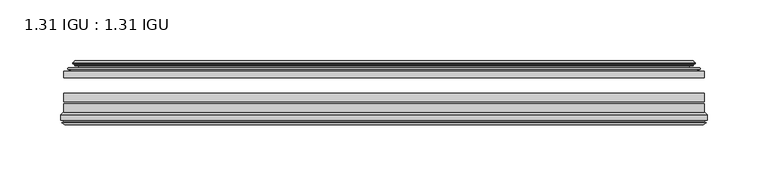
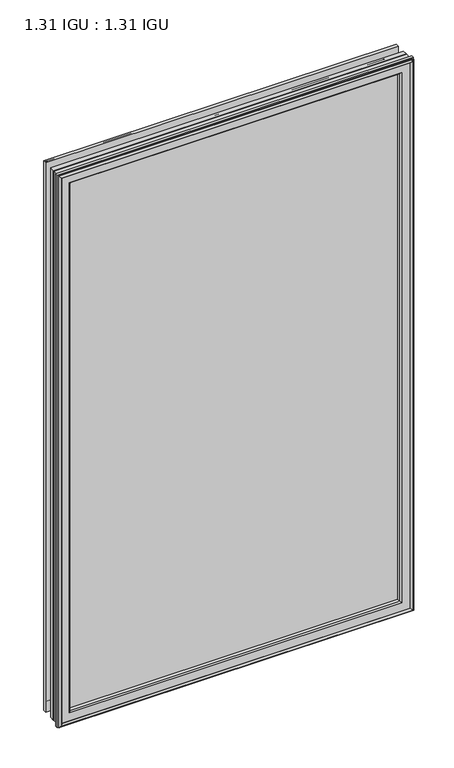
"""IFC4 building model written with IfcOpenShell, lengths in millimetres: plate geometry, 1.31 IGU : 1.31 IGU."""

from ifc_helpers import new_model, si_unit, frame, origin, place, context, project, spatial, polyline, ellipse_curve, outline, extrude, source, transform, mapped, element, save
from ifc_brep_helpers import plane_surface, cylinder_surface, revolved_surface, advanced_brep


def plate_1_31_igu_1_31_igu_d20a0cf0(model_context):
    return source(origin(), model_context, "Body", "SolidModel", [
        extrude(outline(polyline([(263.5203362, -44.8960875), (263.5203362, -50.4332875), (-263.5252713, -50.4332875), (-263.5252713, -44.8960875), (263.5203362, -44.8960875)])), frame((0.0, 0.0, -14.2875), z_axis=(0.0, 0.0, 1.0), x_axis=(1.0, 0.0, 0.0)), (0.0, 0.0, 1.0), 868.3488413),
        extrude(outline(polyline([(-263.5252713, -78.7796875), (-263.5252713, -71.7692875), (263.5203362, -71.7692875), (263.5203362, -78.7796875), (-263.5252713, -78.7796875)])), frame((0.0, 0.0, -14.2875), z_axis=(0.0, 0.0, 1.0), x_axis=(1.0, 0.0, 0.0)), (0.0, 0.0, 1.0), 868.3488413),
        extrude(outline(polyline([(-263.5252713, -70.2452875), (-263.5252713, -63.1332875), (263.5203362, -63.1332875), (263.5203362, -70.2452875), (-263.5252713, -70.2452875)])), frame((0.0, 0.0, -14.2875), z_axis=(0.0, 0.0, 1.0), x_axis=(1.0, 0.0, 0.0)), (0.0, 0.0, 1.0), 868.3488413),
        advanced_brep(
        [(-254.1799468, -37.7373382, 844.7160167), (-249.2383138, -36.3108875, 839.7743838), (-249.2383138, -36.3108875, -0.0005426), (-254.1799468, -37.7373382, -4.9421755), (-254.0148415, -36.9605789, 844.5509115), (-254.0148415, -36.9605789, -4.7770702), (-254.6103272, -36.4771203, 845.1463972), (-254.6103272, -36.4771203, -5.3725559), (-255.874963, -37.766076, 846.411033), (-255.874963, -37.766076, -6.6371917), (-255.8641462, -38.8797852, 846.4002162), (-255.8641462, -38.8797852, -6.6263749), (-254.582661, -40.1361433, 845.118731), (-254.582661, -40.1361433, -5.3448897), (-253.9776542, -39.649943, 844.5137242), (-253.9776542, -39.649943, -4.7398829), (-254.5316684, -39.0959287, 845.0677384), (-254.5316684, -39.0959287, -5.2938972), (-252.24586, -38.7029881, 842.78193), (-252.24586, -38.7029881, -3.0080887), (-250.7867869, -40.2107282, 841.3228569), (-250.7867869, -40.2107282, -1.5490157), (-251.0833689, -41.651269, 841.6194389), (-251.0833689, -41.651269, -1.8455976), (-251.8545933, -42.2798875, 842.3906633), (-251.8545933, -42.2798875, -2.6168221), (-260.1585697, -43.4871542, 850.6946396), (-259.8833682, -42.2798875, 850.4194382), (-259.8833682, -42.2798875, -10.6455969), (-260.1585697, -43.4871542, -10.9207984), (-256.701001, -44.8960875, 847.237071), (-256.701001, -44.8960875, -7.4632297), (-245.6033772, -44.023302, 836.1394472), (-245.9587152, -44.8960875, 836.4947851), (-245.9587152, -44.8960875, 3.2790561), (-245.6033772, -44.023302, 3.6343941), (-246.2745752, -43.3681812, 836.8106452), (-246.2745752, -43.3681812, 2.963196), (-247.9153658, -40.6686056, 838.4514358), (-247.9153658, -40.6686056, 1.3224054), (249.2383138, -36.3108875, -0.0005426), (254.1799468, -37.7373382, -4.9421755), (254.0148415, -36.9605789, -4.7770702), (254.6103272, -36.4771203, -5.3725559), (255.874963, -37.766076, -6.6371917), (255.8641462, -38.8797852, -6.6263749), (254.582661, -40.1361433, -5.3448897), (253.9776542, -39.649943, -4.7398829), (254.5316684, -39.0959287, -5.2938972), (252.24586, -38.7029881, -3.0080887), (250.7867869, -40.2107282, -1.5490157), (251.0833689, -41.651269, -1.8455976), (251.8545933, -42.2798875, -2.6168221), (259.8833682, -42.2798875, -10.6455969), (260.1585697, -43.4871542, -10.9207984), (256.701001, -44.8960875, -7.4632297), (245.9587152, -44.8960875, 3.2790561), (245.6033772, -44.023302, 3.6343941), (246.2745752, -43.3681812, 2.963196), (247.9153658, -40.6686056, 1.3224054), (249.2383138, -36.3108875, 839.7743838), (254.1799468, -37.7373382, 844.7160167), (254.0148415, -36.9605789, 844.5509115), (254.6103272, -36.4771203, 845.1463972), (255.874963, -37.766076, 846.411033), (255.8641462, -38.8797852, 846.4002162), (254.582661, -40.1361433, 845.118731), (253.9776542, -39.649943, 844.5137242), (254.5316684, -39.0959287, 845.0677384), (252.24586, -38.7029881, 842.78193), (250.7867869, -40.2107282, 841.3228569), (251.0833689, -41.651269, 841.6194389), (251.8545933, -42.2798875, 842.3906633), (259.8833682, -42.2798875, 850.4194382), (260.1585697, -43.4871542, 850.6946396), (256.701001, -44.8960875, 847.237071), (245.9587152, -44.8960875, 836.4947851), (245.6033772, -44.023302, 836.1394472), (246.2745752, -43.3681812, 836.8106452), (247.9153658, -40.6686056, 838.4514358)],
        [
            (0, 1),
            (1, 2),
            (2, 3),
            (3, 0),
            (4, 0),
            (3, 5),
            (5, 4),
            (6, 4, ellipse_curve(frame((-254.3353584, -36.746901, 844.8714284), z_axis=(-0.7071067811865475, 0.0, -0.7071067811865475), x_axis=(-0.7071067811865474, 0.0, 0.7071067811865476)), 0.5447741, 0.3852135)),
            (5, 7, ellipse_curve(frame((-254.3353584, -36.746901, -5.0975871), z_axis=(-0.7071067811865475, 0.0, 0.7071067811865475), x_axis=(0.7071067811865474, 0.0, 0.7071067811865476)), 0.5447741, 0.3852135)),
            (7, 6),
            (8, 6),
            (7, 9),
            (9, 8),
            (10, 8, ellipse_curve(frame((-255.3129099, -38.3175243, 845.8489799), z_axis=(-0.7071067811865475, 0.0, -0.7071067811865475), x_axis=(-0.7071067811865474, 0.0, 0.7071067811865476)), 1.1135518, 0.7874)),
            (9, 11, ellipse_curve(frame((-255.3129099, -38.3175243, -6.0751387), z_axis=(-0.7071067811865475, 0.0, 0.7071067811865475), x_axis=(0.7071067811865474, 0.0, 0.7071067811865476)), 1.1135518, 0.7874)),
            (11, 10),
            (12, 10),
            (11, 13),
            (13, 12),
            (14, 12, ellipse_curve(frame((-254.3090635, -39.8570738, 844.8451335), z_axis=(-0.7071067811865475, 0.0, -0.7071067811865475), x_axis=(-0.7071067811865474, 0.0, 0.7071067811865476)), 0.552694, 0.3908137)),
            (13, 15, ellipse_curve(frame((-254.3090635, -39.8570738, -5.0712922), z_axis=(-0.7071067811865475, 0.0, 0.7071067811865475), x_axis=(0.7071067811865474, 0.0, 0.7071067811865476)), 0.552694, 0.3908137)),
            (15, 14),
            (16, 14),
            (15, 17),
            (17, 16),
            (18, 16),
            (17, 19),
            (19, 18),
            (20, 18, ellipse_curve(frame((-252.0306974, -39.954629, 842.5667674), z_axis=(0.7071067811865475, 0.0, 0.7071067811865475), x_axis=(0.7071067811865474, 0.0, -0.7071067811865476)), 1.7960512, 1.27)),
            (19, 21, ellipse_curve(frame((-252.0306974, -39.954629, -2.7929261), z_axis=(0.7071067811865475, 0.0, -0.7071067811865475), x_axis=(-0.7071067811865474, 0.0, -0.7071067811865476)), 1.7960512, 1.27)),
            (21, 20),
            (22, 20),
            (21, 23),
            (23, 22),
            (24, 22, ellipse_curve(frame((-251.8545933, -41.4924875, 842.3906633), z_axis=(0.7071067811865475, 0.0, 0.7071067811865475), x_axis=(0.7071067811865474, 0.0, -0.7071067811865476)), 1.1135518, 0.7874)),
            (23, 25, ellipse_curve(frame((-251.8545933, -41.4924875, -2.6168221), z_axis=(0.7071067811865475, 0.0, -0.7071067811865475), x_axis=(-0.7071067811865474, 0.0, -0.7071067811865476)), 1.1135518, 0.7874)),
            (25, 24),
            (26, 27, ellipse_curve(frame((-259.8833682, -42.9148875, 850.4194382), z_axis=(-0.7071067811865475, 0.0, -0.7071067811865475), x_axis=(-0.7071067811865474, 0.0, 0.7071067811865476)), 0.8980256, 0.635)),
            (27, 28),
            (28, 29, ellipse_curve(frame((-259.8833682, -42.9148875, -10.6455969), z_axis=(-0.7071067811865475, 0.0, 0.7071067811865475), x_axis=(0.7071067811865474, 0.0, 0.7071067811865476)), 0.8980256, 0.635)),
            (29, 26),
            (30, 26),
            (29, 31),
            (31, 30),
            (32, 33, ellipse_curve(frame((-245.9587152, -44.3873602, 836.4947851), z_axis=(-0.7071067811865475, 0.0, -0.7071067811865475), x_axis=(-0.7071067811865474, 0.0, 0.7071067811865476)), 0.719449, 0.5087273)),
            (33, 34),
            (34, 35, ellipse_curve(frame((-245.9587152, -44.3873602, 3.2790561), z_axis=(-0.7071067811865475, 0.0, 0.7071067811865475), x_axis=(0.7071067811865474, 0.0, 0.7071067811865476)), 0.719449, 0.5087273)),
            (35, 32),
            (36, 32),
            (35, 37),
            (37, 36),
            (38, 36, ellipse_curve(frame((-241.839201, -38.823959, 832.375271), z_axis=(0.7071067811865475, 0.0, 0.7071067811865475), x_axis=(0.7071067811865474, 0.0, -0.7071067811865476)), 8.9802561, 6.35)),
            (37, 39, ellipse_curve(frame((-241.839201, -38.823959, 7.3985702), z_axis=(0.7071067811865475, 0.0, -0.7071067811865475), x_axis=(-0.7071067811865474, 0.0, -0.7071067811865476)), 8.9802561, 6.35)),
            (39, 38),
            (1, 38),
            (39, 2),
            (2, 40),
            (40, 41),
            (41, 3),
            (41, 42),
            (42, 5),
            (42, 43, ellipse_curve(frame((254.3353584, -36.746901, -5.0975871), z_axis=(-0.7071067811865475, 0.0, -0.7071067811865475), x_axis=(-0.7071067811865476, 0.0, 0.7071067811865474)), 0.5447741, 0.3852135)),
            (43, 7),
            (43, 44),
            (44, 9),
            (44, 45, ellipse_curve(frame((255.3129099, -38.3175243, -6.0751387), z_axis=(-0.7071067811865475, 0.0, -0.7071067811865475), x_axis=(-0.7071067811865476, 0.0, 0.7071067811865474)), 1.1135518, 0.7874)),
            (45, 11),
            (45, 46),
            (46, 13),
            (46, 47, ellipse_curve(frame((254.3090635, -39.8570738, -5.0712922), z_axis=(-0.7071067811865475, 0.0, -0.7071067811865475), x_axis=(-0.7071067811865476, 0.0, 0.7071067811865474)), 0.552694, 0.3908137)),
            (47, 15),
            (47, 48),
            (48, 17),
            (48, 49),
            (49, 19),
            (49, 50, ellipse_curve(frame((252.0306974, -39.954629, -2.7929261), z_axis=(0.7071067811865475, 0.0, 0.7071067811865475), x_axis=(0.7071067811865476, 0.0, -0.7071067811865474)), 1.7960512, 1.27)),
            (50, 21),
            (50, 51),
            (51, 23),
            (51, 52, ellipse_curve(frame((251.8545933, -41.4924875, -2.6168221), z_axis=(0.7071067811865475, 0.0, 0.7071067811865475), x_axis=(0.7071067811865476, 0.0, -0.7071067811865474)), 1.1135518, 0.7874)),
            (52, 25),
            (28, 53),
            (53, 54, ellipse_curve(frame((259.8833682, -42.9148875, -10.6455969), z_axis=(-0.7071067811865475, 0.0, -0.7071067811865475), x_axis=(-0.7071067811865476, 0.0, 0.7071067811865474)), 0.8980256, 0.635)),
            (54, 29),
            (54, 55),
            (55, 31),
            (34, 56),
            (56, 57, ellipse_curve(frame((245.9587152, -44.3873602, 3.2790561), z_axis=(-0.7071067811865475, 0.0, -0.7071067811865475), x_axis=(-0.7071067811865476, 0.0, 0.7071067811865474)), 0.719449, 0.5087273)),
            (57, 35),
            (57, 58),
            (58, 37),
            (58, 59, ellipse_curve(frame((241.839201, -38.823959, 7.3985702), z_axis=(0.7071067811865475, 0.0, 0.7071067811865475), x_axis=(0.7071067811865476, 0.0, -0.7071067811865474)), 8.9802561, 6.35)),
            (59, 39),
            (59, 40),
            (40, 60),
            (60, 61),
            (61, 41),
            (61, 62),
            (62, 42),
            (62, 63, ellipse_curve(frame((254.3353584, -36.746901, 844.8714284), z_axis=(0.7071067811865475, 0.0, -0.7071067811865475), x_axis=(-0.7071067811865474, 0.0, -0.7071067811865476)), 0.5447741, 0.3852135)),
            (63, 43),
            (63, 64),
            (64, 44),
            (64, 65, ellipse_curve(frame((255.3129099, -38.3175243, 845.8489799), z_axis=(0.7071067811865475, 0.0, -0.7071067811865475), x_axis=(-0.7071067811865474, 0.0, -0.7071067811865476)), 1.1135518, 0.7874)),
            (65, 45),
            (65, 66),
            (66, 46),
            (66, 67, ellipse_curve(frame((254.3090635, -39.8570738, 844.8451335), z_axis=(0.7071067811865475, 0.0, -0.7071067811865475), x_axis=(-0.7071067811865474, 0.0, -0.7071067811865476)), 0.552694, 0.3908137)),
            (67, 47),
            (67, 68),
            (68, 48),
            (68, 69),
            (69, 49),
            (69, 70, ellipse_curve(frame((252.0306974, -39.954629, 842.5667674), z_axis=(-0.7071067811865475, 0.0, 0.7071067811865475), x_axis=(0.7071067811865474, 0.0, 0.7071067811865476)), 1.7960512, 1.27)),
            (70, 50),
            (70, 71),
            (71, 51),
            (71, 72, ellipse_curve(frame((251.8545933, -41.4924875, 842.3906633), z_axis=(-0.7071067811865475, 0.0, 0.7071067811865475), x_axis=(0.7071067811865474, 0.0, 0.7071067811865476)), 1.1135518, 0.7874)),
            (72, 52),
            (53, 73),
            (73, 74, ellipse_curve(frame((259.8833682, -42.9148875, 850.4194382), z_axis=(0.7071067811865475, 0.0, -0.7071067811865475), x_axis=(-0.7071067811865474, 0.0, -0.7071067811865476)), 0.8980256, 0.635)),
            (74, 54),
            (74, 75),
            (75, 55),
            (56, 76),
            (76, 77, ellipse_curve(frame((245.9587152, -44.3873602, 836.4947851), z_axis=(0.7071067811865475, 0.0, -0.7071067811865475), x_axis=(-0.7071067811865474, 0.0, -0.7071067811865476)), 0.719449, 0.5087273)),
            (77, 57),
            (77, 78),
            (78, 58),
            (78, 79, ellipse_curve(frame((241.839201, -38.823959, 832.375271), z_axis=(-0.7071067811865475, 0.0, 0.7071067811865475), x_axis=(0.7071067811865474, 0.0, 0.7071067811865476)), 8.9802561, 6.35)),
            (79, 59),
            (79, 60),
            (60, 1),
            (0, 61),
            (4, 62),
            (6, 63),
            (8, 64),
            (10, 65),
            (12, 66),
            (14, 67),
            (16, 68),
            (18, 69),
            (20, 70),
            (22, 71),
            (24, 72),
            (27, 73),
            (26, 74),
            (30, 75),
            (33, 76),
            (32, 77),
            (36, 78),
            (38, 79),
        ],
        [
            plane_surface(frame((-249.2383138, -36.3108875, 839.7743838), z_axis=(-0.2773364928492854, 0.9607728502273877, 0.0), x_axis=(0.0, 0.0, -1.0))),
            plane_surface(frame((-254.1799468, -37.7373382, 844.7160167), z_axis=(0.9781476007338358, -0.20791169081761773, 0.0), x_axis=(0.0, 0.0, -1.0))),
            cylinder_surface(frame((-254.3353584, -36.746901, 871.5238413), z_axis=(0.0, 0.0, 1.0), x_axis=(-1.0, 0.0, 0.0)), 0.3852135),
            plane_surface(frame((-254.6103272, -36.4771203, 845.1463972), z_axis=(-0.7138087599382162, 0.7003406701280929, 0.0), x_axis=(0.0, 0.0, -1.0))),
            cylinder_surface(frame((-255.3129099, -38.3175243, 871.5238413), z_axis=(0.0, 0.0, 1.0), x_axis=(-1.0, 0.0, 0.0)), 0.7874),
            plane_surface(frame((-255.8641462, -38.8797852, 846.4002162), z_axis=(-0.7000714109283733, -0.7140728391423082, 0.0), x_axis=(0.0, 0.0, -1.0))),
            cylinder_surface(frame((-254.3090635, -39.8570738, 871.5238413), z_axis=(0.0, 0.0, 1.0), x_axis=(-1.0, 0.0, 0.0)), 0.3908137),
            plane_surface(frame((-253.9776542, -39.649943, 844.5137242), z_axis=(0.7071067811861126, 0.7071067811869826, 0.0), x_axis=(0.0, 0.0, -1.0))),
            plane_surface(frame((-254.5316684, -39.0959287, 845.0677384), z_axis=(0.16941940671011482, -0.9855440449974789, 0.0), x_axis=(0.0, 0.0, -1.0))),
            revolved_surface(polyline([(-253.30069740000002, -39.954629, -4.0629260828783345), (-253.30069740000002, -39.954629, 843.8367673828783)]), (-252.0306974, -39.954629, 871.5238413), (0.0, 0.0, -1.0)),
            plane_surface(frame((-250.7867869, -40.2107282, 841.3228569), z_axis=(-0.9794570432566897, 0.20165292067030202, 0.0), x_axis=(0.0, 0.0, -1.0))),
            revolved_surface(polyline([(-252.6419933, -41.4924875, -3.4042221289824965), (-252.6419933, -41.4924875, 843.1780633289825)]), (-251.8545933, -41.4924875, 871.5238413), (0.0, 0.0, -1.0)),
            cylinder_surface(frame((-259.8833682, -42.9148875, 871.5238413), z_axis=(0.0, 0.0, 1.0), x_axis=(-1.0, 0.0, 0.0)), 0.635),
            plane_surface(frame((-260.1585697, -43.4871542, 850.6946396), z_axis=(-0.37736447542757934, -0.9260648209954139, 0.0), x_axis=(0.0, 0.0, -1.0))),
            cylinder_surface(frame((-245.9587152, -44.3873602, 871.5238413), z_axis=(0.0, 0.0, 1.0), x_axis=(-1.0, 0.0, 0.0)), 0.5087273),
            plane_surface(frame((-245.6033772, -44.023302, 836.1394472), z_axis=(0.698484125849927, 0.7156255486884628, 0.0), x_axis=(0.0, 0.0, -1.0))),
            revolved_surface(polyline([(-248.189201, -38.823959, 1.0485702148981773), (-248.189201, -38.823959, 838.7252709851018)]), (-241.839201, -38.823959, 871.5238413), (0.0, 0.0, -1.0)),
            plane_surface(frame((-247.9153658, -40.6686056, 838.4514358), z_axis=(0.956876347351701, 0.2904955350411895, 0.0), x_axis=(0.0, 0.0, -1.0))),
            plane_surface(frame((-249.2383138, -36.3108875, -0.0005426), z_axis=(0.0, 0.9607728502273868, -0.2773364928492885), x_axis=(1.0, 0.0, 0.0))),
            plane_surface(frame((-254.1799468, -37.7373382, -4.9421755), z_axis=(0.0, -0.20791169081761454, 0.9781476007338364), x_axis=(1.0, 0.0, 0.0))),
            cylinder_surface(frame((-280.9877713, -36.746901, -5.0975871), z_axis=(-1.0, 0.0, 0.0), x_axis=(0.0, 0.0, -1.0)), 0.3852135),
            plane_surface(frame((-254.6103272, -36.4771203, -5.3725559), z_axis=(0.0, 0.7003406701280904, -0.7138087599382185), x_axis=(1.0, 0.0, 0.0))),
            cylinder_surface(frame((-280.9877713, -38.3175243, -6.0751387), z_axis=(-1.0, 0.0, 0.0), x_axis=(0.0, 0.0, -1.0)), 0.7874),
            plane_surface(frame((-255.8641462, -38.8797852, -6.6263749), z_axis=(0.0, -0.7140728391423106, -0.700071410928371), x_axis=(1.0, 0.0, 0.0))),
            cylinder_surface(frame((-280.9877713, -39.8570738, -5.0712922), z_axis=(-1.0, 0.0, 0.0), x_axis=(0.0, 0.0, -1.0)), 0.3908137),
            plane_surface(frame((-253.9776542, -39.649943, -4.7398829), z_axis=(0.0, 0.7071067811869849, 0.7071067811861103), x_axis=(1.0, 0.0, 0.0))),
            plane_surface(frame((-254.5316684, -39.0959287, -5.2938972), z_axis=(0.0, -0.9855440449974784, 0.16941940671011801), x_axis=(1.0, 0.0, 0.0))),
            revolved_surface(polyline([(253.30069738287835, -39.954629, -4.0629261), (-253.30069738287824, -39.954629, -4.0629261)]), (-280.9877713, -39.954629, -2.7929261), (1.0, 0.0, 0.0)),
            plane_surface(frame((-250.7867869, -40.2107282, -1.5490157), z_axis=(0.0, 0.20165292067029883, -0.9794570432566904), x_axis=(1.0, 0.0, 0.0))),
            revolved_surface(polyline([(252.64199332898244, -41.4924875, -3.4042220999999997), (-252.6419933289825, -41.4924875, -3.4042220999999997)]), (-280.9877713, -41.4924875, -2.6168221), (1.0, 0.0, 0.0)),
            cylinder_surface(frame((-280.9877713, -42.9148875, -10.6455969), z_axis=(-1.0, 0.0, 0.0), x_axis=(0.0, 0.0, -1.0)), 0.635),
            plane_surface(frame((-260.1585697, -43.4871542, -10.9207984), z_axis=(0.0, -0.9260648209954151, -0.37736447542757634), x_axis=(1.0, 0.0, 0.0))),
            cylinder_surface(frame((-280.9877713, -44.3873602, 3.2790561), z_axis=(-1.0, 0.0, 0.0), x_axis=(0.0, 0.0, -1.0)), 0.5087273),
            plane_surface(frame((-245.6033772, -44.023302, 3.6343941), z_axis=(0.0, 0.7156255486884651, 0.6984841258499247), x_axis=(1.0, 0.0, 0.0))),
            revolved_surface(polyline([(248.18920098510188, -38.823959, 1.0485702000000003), (-248.18920098510188, -38.823959, 1.0485702000000003)]), (-280.9877713, -38.823959, 7.3985702), (1.0, 0.0, 0.0)),
            plane_surface(frame((-247.9153658, -40.6686056, 1.3224054), z_axis=(0.0, 0.29049553504119263, 0.9568763473517), x_axis=(1.0, 0.0, 0.0))),
            plane_surface(frame((249.2383138, -36.3108875, -0.0005426), z_axis=(0.2773364928492916, 0.9607728502273859, 0.0), x_axis=(0.0, 0.0, 1.0))),
            plane_surface(frame((254.1799468, -37.7373382, -4.9421755), z_axis=(-0.9781476007338371, -0.20791169081761135, 0.0), x_axis=(0.0, 0.0, 1.0))),
            cylinder_surface(frame((254.3353584, -36.746901, -31.75), z_axis=(0.0, 0.0, -1.0), x_axis=(1.0, 0.0, 0.0)), 0.3852135),
            plane_surface(frame((254.6103272, -36.4771203, -5.3725559), z_axis=(0.7138087599382208, 0.7003406701280881, 0.0), x_axis=(0.0, 0.0, 1.0))),
            cylinder_surface(frame((255.3129099, -38.3175243, -31.75), z_axis=(0.0, 0.0, -1.0), x_axis=(1.0, 0.0, 0.0)), 0.7874),
            plane_surface(frame((255.8641462, -38.8797852, -6.6263749), z_axis=(0.7000714109283687, -0.7140728391423129, 0.0), x_axis=(0.0, 0.0, 1.0))),
            cylinder_surface(frame((254.3090635, -39.8570738, -31.75), z_axis=(0.0, 0.0, -1.0), x_axis=(1.0, 0.0, 0.0)), 0.3908137),
            plane_surface(frame((253.9776542, -39.649943, -4.7398829), z_axis=(-0.7071067811861079, 0.7071067811869872, 0.0), x_axis=(0.0, 0.0, 1.0))),
            plane_surface(frame((254.5316684, -39.0959287, -5.2938972), z_axis=(-0.1694194067101212, -0.9855440449974778, 0.0), x_axis=(0.0, 0.0, 1.0))),
            revolved_surface(polyline([(253.30069740000002, -39.954629, 843.8367673828783), (253.30069740000002, -39.954629, -4.062926082878235)]), (252.0306974, -39.954629, -31.75), (0.0, 0.0, 1.0)),
            plane_surface(frame((250.7867869, -40.2107282, -1.5490157), z_axis=(0.979457043256691, 0.20165292067029564, 0.0), x_axis=(0.0, 0.0, 1.0))),
            revolved_surface(polyline([(252.6419933, -41.4924875, 843.1780633289825), (252.6419933, -41.4924875, -3.404222128982486)]), (251.8545933, -41.4924875, -31.75), (0.0, 0.0, 1.0)),
            cylinder_surface(frame((259.8833682, -42.9148875, -31.75), z_axis=(0.0, 0.0, -1.0), x_axis=(1.0, 0.0, 0.0)), 0.635),
            plane_surface(frame((260.1585697, -43.4871542, -10.9207984), z_axis=(0.37736447542757334, -0.9260648209954163, 0.0), x_axis=(0.0, 0.0, 1.0))),
            cylinder_surface(frame((245.9587152, -44.3873602, -31.75), z_axis=(0.0, 0.0, -1.0), x_axis=(1.0, 0.0, 0.0)), 0.5087273),
            plane_surface(frame((245.6033772, -44.023302, 3.6343941), z_axis=(-0.6984841258499224, 0.7156255486884673, 0.0), x_axis=(0.0, 0.0, 1.0))),
            revolved_surface(polyline([(248.189201, -38.823959, 838.7252709851018), (248.189201, -38.823959, 1.0485702148981417)]), (241.839201, -38.823959, -31.75), (0.0, 0.0, 1.0)),
            plane_surface(frame((247.9153658, -40.6686056, 1.3224054), z_axis=(-0.9568763473516991, 0.2904955350411958, 0.0), x_axis=(0.0, 0.0, 1.0))),
            plane_surface(frame((249.2383138, -36.3108875, 839.7743838), z_axis=(0.0, 0.9607728502273868, 0.2773364928492885), x_axis=(-1.0, 0.0, 0.0))),
            plane_surface(frame((254.1799468, -37.7373382, 844.7160167), z_axis=(0.0, -0.20791169081761454, -0.9781476007338364), x_axis=(-1.0, 0.0, 0.0))),
            cylinder_surface(frame((280.9877713, -36.746901, 844.8714284), z_axis=(1.0, 0.0, 0.0), x_axis=(0.0, 0.0, 1.0)), 0.3852135),
            plane_surface(frame((254.6103272, -36.4771203, 845.1463972), z_axis=(0.0, 0.7003406701280904, 0.7138087599382185), x_axis=(-1.0, 0.0, 0.0))),
            cylinder_surface(frame((280.9877713, -38.3175243, 845.8489799), z_axis=(1.0, 0.0, 0.0), x_axis=(0.0, 0.0, 1.0)), 0.7874),
            plane_surface(frame((255.8641462, -38.8797852, 846.4002162), z_axis=(0.0, -0.7140728391423106, 0.700071410928371), x_axis=(-1.0, 0.0, 0.0))),
            cylinder_surface(frame((280.9877713, -39.8570738, 844.8451335), z_axis=(1.0, 0.0, 0.0), x_axis=(0.0, 0.0, 1.0)), 0.3908137),
            plane_surface(frame((253.9776542, -39.649943, 844.5137242), z_axis=(0.0, 0.7071067811869849, -0.7071067811861103), x_axis=(-1.0, 0.0, 0.0))),
            plane_surface(frame((254.5316684, -39.0959287, 845.0677384), z_axis=(0.0, -0.9855440449974784, -0.16941940671011801), x_axis=(-1.0, 0.0, 0.0))),
            revolved_surface(polyline([(-253.30069738287835, -39.954629, 843.8367674), (253.30069738287824, -39.954629, 843.8367674)]), (280.9877713, -39.954629, 842.5667674), (-1.0, 0.0, 0.0)),
            plane_surface(frame((250.7867869, -40.2107282, 841.3228569), z_axis=(0.0, 0.20165292067029883, 0.9794570432566904), x_axis=(-1.0, 0.0, 0.0))),
            revolved_surface(polyline([(-252.64199332898244, -41.4924875, 843.1780633000001), (252.6419933289825, -41.4924875, 843.1780633000001)]), (280.9877713, -41.4924875, 842.3906633), (-1.0, 0.0, 0.0)),
            plane_surface(frame((251.8545933, -42.2798875, 842.3906633), z_axis=(0.0, 1.0, 0.0), x_axis=(-1.0, 0.0, 0.0))),
            cylinder_surface(frame((280.9877713, -42.9148875, 850.4194382), z_axis=(1.0, 0.0, 0.0), x_axis=(0.0, 0.0, 1.0)), 0.635),
            plane_surface(frame((260.1585697, -43.4871542, 850.6946396), z_axis=(0.0, -0.9260648209954151, 0.37736447542757634), x_axis=(-1.0, 0.0, 0.0))),
            plane_surface(frame((256.701001, -44.8960875, 847.237071), z_axis=(0.0, -1.0, 0.0), x_axis=(-1.0, 0.0, 0.0))),
            cylinder_surface(frame((280.9877713, -44.3873602, 836.4947851), z_axis=(1.0, 0.0, 0.0), x_axis=(0.0, 0.0, 1.0)), 0.5087273),
            plane_surface(frame((245.6033772, -44.023302, 836.1394472), z_axis=(0.0, 0.7156255486884651, -0.6984841258499247), x_axis=(-1.0, 0.0, 0.0))),
            revolved_surface(polyline([(-248.18920098510188, -38.823959, 838.725271), (248.18920098510188, -38.823959, 838.725271)]), (280.9877713, -38.823959, 832.375271), (-1.0, 0.0, 0.0)),
            plane_surface(frame((247.9153658, -40.6686056, 838.4514358), z_axis=(0.0, 0.2904955350411927, -0.9568763473517001), x_axis=(-1.0, 0.0, 0.0))),
        ],
        [
            (0, [[1, 2, 3, 4]]),
            (1, [[5, -4, 6, 7]]),
            (2, [[8, -7, 9, 10]]),
            (3, [[11, -10, 12, 13]]),
            (4, [[14, -13, 15, 16]]),
            (5, [[17, -16, 18, 19]]),
            (6, [[20, -19, 21, 22]]),
            (7, [[23, -22, 24, 25]]),
            (8, [[26, -25, 27, 28]]),
            (9, [[29, -28, 30, 31]]),
            (10, [[32, -31, 33, 34]]),
            (11, [[35, -34, 36, 37]]),
            (12, [[38, 39, 40, 41]]),
            (13, [[42, -41, 43, 44]]),
            (14, [[45, 46, 47, 48]]),
            (15, [[49, -48, 50, 51]]),
            (16, [[52, -51, 53, 54]]),
            (17, [[55, -54, 56, -2]]),
            (18, [[-3, 57, 58, 59]]),
            (19, [[-6, -59, 60, 61]]),
            (20, [[-9, -61, 62, 63]]),
            (21, [[-12, -63, 64, 65]]),
            (22, [[-15, -65, 66, 67]]),
            (23, [[-18, -67, 68, 69]]),
            (24, [[-21, -69, 70, 71]]),
            (25, [[-24, -71, 72, 73]]),
            (26, [[-27, -73, 74, 75]]),
            (27, [[-30, -75, 76, 77]]),
            (28, [[-33, -77, 78, 79]]),
            (29, [[-36, -79, 80, 81]]),
            (30, [[-40, 82, 83, 84]]),
            (31, [[-43, -84, 85, 86]]),
            (32, [[-47, 87, 88, 89]]),
            (33, [[-50, -89, 90, 91]]),
            (34, [[-53, -91, 92, 93]]),
            (35, [[-56, -93, 94, -57]]),
            (36, [[-58, 95, 96, 97]]),
            (37, [[-60, -97, 98, 99]]),
            (38, [[-62, -99, 100, 101]]),
            (39, [[-64, -101, 102, 103]]),
            (40, [[-66, -103, 104, 105]]),
            (41, [[-68, -105, 106, 107]]),
            (42, [[-70, -107, 108, 109]]),
            (43, [[-72, -109, 110, 111]]),
            (44, [[-74, -111, 112, 113]]),
            (45, [[-76, -113, 114, 115]]),
            (46, [[-78, -115, 116, 117]]),
            (47, [[-80, -117, 118, 119]]),
            (48, [[-83, 120, 121, 122]]),
            (49, [[-85, -122, 123, 124]]),
            (50, [[-88, 125, 126, 127]]),
            (51, [[-90, -127, 128, 129]]),
            (52, [[-92, -129, 130, 131]]),
            (53, [[-94, -131, 132, -95]]),
            (54, [[-96, 133, -1, 134]]),
            (55, [[-98, -134, -5, 135]]),
            (56, [[-100, -135, -8, 136]]),
            (57, [[-102, -136, -11, 137]]),
            (58, [[-104, -137, -14, 138]]),
            (59, [[-106, -138, -17, 139]]),
            (60, [[-108, -139, -20, 140]]),
            (61, [[-110, -140, -23, 141]]),
            (62, [[-112, -141, -26, 142]]),
            (63, [[-114, -142, -29, 143]]),
            (64, [[-116, -143, -32, 144]]),
            (65, [[-118, -144, -35, 145]]),
            (66, [[146, -120, -82, -39], [-81, -119, -145, -37]]),
            (67, [[-121, -146, -38, 147]]),
            (68, [[-123, -147, -42, 148]]),
            (69, [[-86, -124, -148, -44], [149, -125, -87, -46]]),
            (70, [[-126, -149, -45, 150]]),
            (71, [[-128, -150, -49, 151]]),
            (72, [[-130, -151, -52, 152]]),
            (73, [[-132, -152, -55, -133]]),
        ],
    ),
        advanced_brep(
        [(-246.5502207, -83.3389875, 837.0862906), (-248.3252868, -85.1296875, 838.8613568), (-248.3252868, -85.1296875, 0.9124845), (-246.5502207, -83.3389875, 2.6875506), (-245.5270114, -78.7796875, 836.0630814), (-245.5270114, -78.7796875, 3.7107599), (-266.1077204, -80.9740477, 856.6437904), (-263.9133601, -78.7796875, 854.4494301), (-263.9133601, -78.7796875, -14.6755889), (-266.1077204, -80.9740477, -16.8699491), (-266.1077204, -85.1296875, 856.6437904), (-266.1077204, -85.1296875, -16.8699491), (-263.5826602, -86.3747112, 854.1187302), (-264.3338872, -85.1296875, 854.8699572), (-264.3338872, -85.1296875, -15.0961159), (-263.5826602, -86.3747112, -14.3448889), (-263.2731311, -87.6502863, 853.8092011), (-263.2731311, -87.6502863, -14.0353598), (-264.2912445, -87.2076396, 854.8273145), (-264.2912445, -87.2076396, -15.0534732), (-262.6042551, -88.8840626, 853.1403251), (-265.0859545, -87.2076396, 855.6220245), (-265.0859545, -87.2076396, -15.8481832), (-262.6042551, -88.8840626, -13.3664838), (-260.4524297, -86.9401656, 850.9884997), (-260.4524297, -86.9401656, -11.2146584), (-262.1597839, -87.5528811, 852.6958539), (-261.2340027, -86.9401656, 851.7700727), (-261.2340027, -86.9401656, -11.9962314), (-262.1597839, -87.5528811, -12.9220126), (-262.0764585, -86.2429356, 852.6125285), (-262.0764585, -86.2429356, -12.8386873), (-261.4782205, -85.1296875, 852.0142905), (-261.4782205, -85.1296875, -12.2404492), (248.3252868, -85.1296875, 0.9124845), (246.5502207, -83.3389875, 2.6875506), (245.5270114, -78.7796875, 3.7107599), (263.9133601, -78.7796875, -14.6755889), (266.1077204, -80.9740477, -16.8699491), (266.1077204, -85.1296875, -16.8699491), (264.3338872, -85.1296875, -15.0961159), (263.5826602, -86.3747112, -14.3448889), (263.2731311, -87.6502863, -14.0353598), (264.2912445, -87.2076396, -15.0534732), (265.0859545, -87.2076396, -15.8481832), (262.6042551, -88.8840626, -13.3664838), (260.4524297, -86.9401656, -11.2146584), (261.2340027, -86.9401656, -11.9962314), (262.1597839, -87.5528811, -12.9220126), (262.0764585, -86.2429356, -12.8386873), (261.4782205, -85.1296875, -12.2404492), (248.3252868, -85.1296875, 838.8613568), (246.5502207, -83.3389875, 837.0862906), (245.5270114, -78.7796875, 836.0630814), (263.9133601, -78.7796875, 854.4494301), (266.1077204, -80.9740477, 856.6437904), (266.1077204, -85.1296875, 856.6437904), (264.3338872, -85.1296875, 854.8699572), (263.5826602, -86.3747112, 854.1187302), (263.2731311, -87.6502863, 853.8092011), (264.2912445, -87.2076396, 854.8273145), (265.0859545, -87.2076396, 855.6220245), (262.6042551, -88.8840626, 853.1403251), (260.4524297, -86.9401656, 850.9884997), (261.2340027, -86.9401656, 851.7700727), (262.1597839, -87.5528811, 852.6958539), (262.0764585, -86.2429356, 852.6125285), (261.4782205, -85.1296875, 852.0142905)],
        [
            (0, 1, ellipse_curve(frame((-248.5767218, -83.1053133, 839.1127918), z_axis=(-0.7071067811865475, 0.0, -0.7071067811865475), x_axis=(-0.7071067811865474, 0.0, 0.7071067811865476)), 2.8848953, 2.039929)),
            (1, 2),
            (2, 3, ellipse_curve(frame((-248.5767218, -83.1053133, 0.6610495), z_axis=(-0.7071067811865475, 0.0, 0.7071067811865475), x_axis=(0.7071067811865474, 0.0, 0.7071067811865476)), 2.8848953, 2.039929)),
            (3, 0),
            (4, 0),
            (3, 5),
            (5, 4),
            (6, 7),
            (7, 8),
            (8, 9),
            (9, 6),
            (10, 6),
            (9, 11),
            (11, 10),
            (12, 13),
            (13, 14),
            (14, 15),
            (15, 12),
            (16, 12),
            (15, 17),
            (17, 16),
            (18, 16),
            (17, 19),
            (19, 18),
            (20, 21),
            (21, 22),
            (22, 23),
            (23, 20),
            (24, 20),
            (23, 25),
            (25, 24),
            (26, 27),
            (27, 28),
            (28, 29),
            (29, 26),
            (30, 26),
            (29, 31),
            (31, 30),
            (32, 30),
            (31, 33),
            (33, 32),
            (2, 34),
            (34, 35, ellipse_curve(frame((248.5767218, -83.1053133, 0.6610495), z_axis=(-0.7071067811865475, 0.0, -0.7071067811865475), x_axis=(-0.7071067811865476, 0.0, 0.7071067811865474)), 2.8848953, 2.039929)),
            (35, 3),
            (35, 36),
            (36, 5),
            (8, 37),
            (37, 38),
            (38, 9),
            (38, 39),
            (39, 11),
            (14, 40),
            (40, 41),
            (41, 15),
            (41, 42),
            (42, 17),
            (42, 43),
            (43, 19),
            (22, 44),
            (44, 45),
            (45, 23),
            (45, 46),
            (46, 25),
            (28, 47),
            (47, 48),
            (48, 29),
            (48, 49),
            (49, 31),
            (49, 50),
            (50, 33),
            (34, 51),
            (51, 52, ellipse_curve(frame((248.5767218, -83.1053133, 839.1127918), z_axis=(0.7071067811865475, 0.0, -0.7071067811865475), x_axis=(-0.7071067811865474, 0.0, -0.7071067811865476)), 2.8848953, 2.039929)),
            (52, 35),
            (52, 53),
            (53, 36),
            (37, 54),
            (54, 55),
            (55, 38),
            (55, 56),
            (56, 39),
            (40, 57),
            (57, 58),
            (58, 41),
            (58, 59),
            (59, 42),
            (59, 60),
            (60, 43),
            (44, 61),
            (61, 62),
            (62, 45),
            (62, 63),
            (63, 46),
            (47, 64),
            (64, 65),
            (65, 48),
            (65, 66),
            (66, 49),
            (66, 67),
            (67, 50),
            (51, 1),
            (0, 52),
            (4, 53),
            (7, 54),
            (6, 55),
            (10, 56),
            (13, 57),
            (12, 58),
            (16, 59),
            (18, 60),
            (21, 61),
            (20, 62),
            (24, 63),
            (27, 64),
            (26, 65),
            (30, 66),
            (32, 67),
        ],
        [
            cylinder_surface(frame((-248.5767218, -83.1053133, 871.5238413), z_axis=(0.0, 0.0, 1.0), x_axis=(-1.0, 0.0, 0.0)), 2.039929),
            plane_surface(frame((-246.5502207, -83.3389875, 837.0862906), z_axis=(0.9757302952562701, -0.2189757770145185, 0.0), x_axis=(0.0, 0.0, -1.0))),
            plane_surface(frame((-263.9133601, -78.7796875, 854.4494301), z_axis=(-0.7071067811871722, 0.7071067811859229, 0.0), x_axis=(0.0, 0.0, -1.0))),
            plane_surface(frame((-266.1077204, -80.9740477, 856.6437904), z_axis=(-1.0, 0.0, 0.0), x_axis=(0.0, 0.0, -1.0))),
            plane_surface(frame((-264.3338872, -85.1296875, 854.8699572), z_axis=(-0.8562121193263807, -0.516624434883434, 0.0), x_axis=(0.0, 0.0, -1.0))),
            plane_surface(frame((-263.5826602, -86.3747112, 854.1187302), z_axis=(-0.9717979666139347, -0.23581499546259121, 0.0), x_axis=(0.0, 0.0, -1.0))),
            plane_surface(frame((-263.2731311, -87.6502863, 853.8092011), z_axis=(0.39871754517761615, 0.9170737806564615, 0.0), x_axis=(0.0, 0.0, -1.0))),
            plane_surface(frame((-265.0859545, -87.2076396, 855.6220245), z_axis=(-0.5597655002239059, -0.8286510633306884, 0.0), x_axis=(0.0, 0.0, -1.0))),
            plane_surface(frame((-262.6042551, -88.8840626, 853.1403251), z_axis=(0.670345652676111, -0.7420489916024674, 0.0), x_axis=(0.0, 0.0, -1.0))),
            plane_surface(frame((-261.2340027, -86.9401656, 851.7700727), z_axis=(-0.5519083205498945, 0.8339047941508642, 0.0), x_axis=(0.0, 0.0, -1.0))),
            plane_surface(frame((-262.1597839, -87.5528811, 852.6958539), z_axis=(0.9979830161114805, -0.06348148984572215, 0.0), x_axis=(0.0, 0.0, -1.0))),
            plane_surface(frame((-262.0764585, -86.2429356, 852.6125285), z_axis=(0.8808682216207323, -0.47336157019632297, 0.0), x_axis=(0.0, 0.0, -1.0))),
            cylinder_surface(frame((-280.9877713, -83.1053133, 0.6610495), z_axis=(-1.0, 0.0, 0.0), x_axis=(0.0, 0.0, -1.0)), 2.039929),
            plane_surface(frame((-246.5502207, -83.3389875, 2.6875506), z_axis=(0.0, -0.21897577701451534, 0.9757302952562708), x_axis=(1.0, 0.0, 0.0))),
            plane_surface(frame((-263.9133601, -78.7796875, -14.6755889), z_axis=(0.0, 0.7071067811859205, -0.7071067811871745), x_axis=(1.0, 0.0, 0.0))),
            plane_surface(frame((-266.1077204, -80.9740477, -16.8699491), z_axis=(0.0, 0.0, -1.0), x_axis=(1.0, 0.0, 0.0))),
            plane_surface(frame((-264.3338872, -85.1296875, -15.0961159), z_axis=(0.0, -0.5166244348834368, -0.8562121193263791), x_axis=(1.0, 0.0, 0.0))),
            plane_surface(frame((-263.5826602, -86.3747112, -14.3448889), z_axis=(0.0, -0.23581499546259438, -0.9717979666139339), x_axis=(1.0, 0.0, 0.0))),
            plane_surface(frame((-263.2731311, -87.6502863, -14.0353598), z_axis=(0.0, 0.9170737806564628, 0.39871754517761315), x_axis=(1.0, 0.0, 0.0))),
            plane_surface(frame((-265.0859545, -87.2076396, -15.8481832), z_axis=(0.0, -0.8286510633306902, -0.5597655002239033), x_axis=(1.0, 0.0, 0.0))),
            plane_surface(frame((-262.6042551, -88.8840626, -13.3664838), z_axis=(0.0, -0.7420489916024652, 0.6703456526761135), x_axis=(1.0, 0.0, 0.0))),
            plane_surface(frame((-261.2340027, -86.9401656, -11.9962314), z_axis=(0.0, 0.8339047941508624, -0.5519083205498971), x_axis=(1.0, 0.0, 0.0))),
            plane_surface(frame((-262.1597839, -87.5528811, -12.9220126), z_axis=(0.0, -0.0634814898457189, 0.9979830161114808), x_axis=(1.0, 0.0, 0.0))),
            plane_surface(frame((-262.0764585, -86.2429356, -12.8386873), z_axis=(0.0, -0.47336157019632014, 0.880868221620734), x_axis=(1.0, 0.0, 0.0))),
            cylinder_surface(frame((248.5767218, -83.1053133, -31.75), z_axis=(0.0, 0.0, -1.0), x_axis=(1.0, 0.0, 0.0)), 2.039929),
            plane_surface(frame((246.5502207, -83.3389875, 2.6875506), z_axis=(-0.9757302952562714, -0.21897577701451218, 0.0), x_axis=(0.0, 0.0, 1.0))),
            plane_surface(frame((263.9133601, -78.7796875, -14.6755889), z_axis=(0.7071067811871768, 0.7071067811859182, 0.0), x_axis=(0.0, 0.0, 1.0))),
            plane_surface(frame((266.1077204, -80.9740477, -16.8699491), z_axis=(1.0, 0.0, 0.0), x_axis=(0.0, 0.0, 1.0))),
            plane_surface(frame((264.3338872, -85.1296875, -15.0961159), z_axis=(0.8562121193263774, -0.5166244348834396, 0.0), x_axis=(0.0, 0.0, 1.0))),
            plane_surface(frame((263.5826602, -86.3747112, -14.3448889), z_axis=(0.9717979666139331, -0.23581499546259754, 0.0), x_axis=(0.0, 0.0, 1.0))),
            plane_surface(frame((263.2731311, -87.6502863, -14.0353598), z_axis=(-0.39871754517761016, 0.9170737806564642, 0.0), x_axis=(0.0, 0.0, 1.0))),
            plane_surface(frame((265.0859545, -87.2076396, -15.8481832), z_axis=(0.5597655002239006, -0.8286510633306919, 0.0), x_axis=(0.0, 0.0, 1.0))),
            plane_surface(frame((262.6042551, -88.8840626, -13.3664838), z_axis=(-0.6703456526761159, -0.742048991602463, 0.0), x_axis=(0.0, 0.0, 1.0))),
            plane_surface(frame((261.2340027, -86.9401656, -11.9962314), z_axis=(0.5519083205498998, 0.8339047941508606, 0.0), x_axis=(0.0, 0.0, 1.0))),
            plane_surface(frame((262.1597839, -87.5528811, -12.9220126), z_axis=(-0.997983016111481, -0.06348148984571565, 0.0), x_axis=(0.0, 0.0, 1.0))),
            plane_surface(frame((262.0764585, -86.2429356, -12.8386873), z_axis=(-0.8808682216207355, -0.47336157019631725, 0.0), x_axis=(0.0, 0.0, 1.0))),
            cylinder_surface(frame((280.9877713, -83.1053133, 839.1127918), z_axis=(1.0, 0.0, 0.0), x_axis=(0.0, 0.0, 1.0)), 2.039929),
            plane_surface(frame((246.5502207, -83.3389875, 837.0862906), z_axis=(0.0, -0.21897577701451534, -0.9757302952562708), x_axis=(-1.0, 0.0, 0.0))),
            plane_surface(frame((245.5270114, -78.7796875, 836.0630814), z_axis=(0.0, 1.0, 0.0), x_axis=(-1.0, 0.0, 0.0))),
            plane_surface(frame((263.9133601, -78.7796875, 854.4494301), z_axis=(0.0, 0.7071067811859205, 0.7071067811871745), x_axis=(-1.0, 0.0, 0.0))),
            plane_surface(frame((266.1077204, -80.9740477, 856.6437904), z_axis=(0.0, 0.0, 1.0), x_axis=(-1.0, 0.0, 0.0))),
            plane_surface(frame((266.1077204, -85.1296875, 856.6437904), z_axis=(0.0, -1.0, 0.0), x_axis=(-1.0, 0.0, 0.0))),
            plane_surface(frame((264.3338872, -85.1296875, 854.8699572), z_axis=(0.0, -0.5166244348834368, 0.8562121193263791), x_axis=(-1.0, 0.0, 0.0))),
            plane_surface(frame((263.5826602, -86.3747112, 854.1187302), z_axis=(0.0, -0.23581499546259438, 0.9717979666139339), x_axis=(-1.0, 0.0, 0.0))),
            plane_surface(frame((263.2731311, -87.6502863, 853.8092011), z_axis=(0.0, 0.9170737806564628, -0.39871754517761315), x_axis=(-1.0, 0.0, 0.0))),
            plane_surface(frame((264.2912445, -87.2076396, 854.8273145), z_axis=(0.0, 1.0, 0.0), x_axis=(-1.0, 0.0, 0.0))),
            plane_surface(frame((265.0859545, -87.2076396, 855.6220245), z_axis=(0.0, -0.8286510633306902, 0.5597655002239033), x_axis=(-1.0, 0.0, 0.0))),
            plane_surface(frame((262.6042551, -88.8840626, 853.1403251), z_axis=(0.0, -0.7420489916024652, -0.6703456526761135), x_axis=(-1.0, 0.0, 0.0))),
            plane_surface(frame((260.4524297, -86.9401656, 850.9884997), z_axis=(0.0, 1.0, 0.0), x_axis=(-1.0, 0.0, 0.0))),
            plane_surface(frame((261.2340027, -86.9401656, 851.7700727), z_axis=(0.0, 0.8339047941508624, 0.5519083205498971), x_axis=(-1.0, 0.0, 0.0))),
            plane_surface(frame((262.1597839, -87.5528811, 852.6958539), z_axis=(0.0, -0.0634814898457189, -0.9979830161114808), x_axis=(-1.0, 0.0, 0.0))),
            plane_surface(frame((262.0764585, -86.2429356, 852.6125285), z_axis=(0.0, -0.47336157019632014, -0.880868221620734), x_axis=(-1.0, 0.0, 0.0))),
            plane_surface(frame((261.4782205, -85.1296875, 852.0142905), z_axis=(0.0, -1.0, 0.0), x_axis=(-1.0, 0.0, 0.0))),
        ],
        [
            (0, [[1, 2, 3, 4]]),
            (1, [[5, -4, 6, 7]]),
            (2, [[8, 9, 10, 11]]),
            (3, [[12, -11, 13, 14]]),
            (4, [[15, 16, 17, 18]]),
            (5, [[19, -18, 20, 21]]),
            (6, [[22, -21, 23, 24]]),
            (7, [[25, 26, 27, 28]]),
            (8, [[29, -28, 30, 31]]),
            (9, [[32, 33, 34, 35]]),
            (10, [[36, -35, 37, 38]]),
            (11, [[39, -38, 40, 41]]),
            (12, [[-3, 42, 43, 44]]),
            (13, [[-6, -44, 45, 46]]),
            (14, [[-10, 47, 48, 49]]),
            (15, [[-13, -49, 50, 51]]),
            (16, [[-17, 52, 53, 54]]),
            (17, [[-20, -54, 55, 56]]),
            (18, [[-23, -56, 57, 58]]),
            (19, [[-27, 59, 60, 61]]),
            (20, [[-30, -61, 62, 63]]),
            (21, [[-34, 64, 65, 66]]),
            (22, [[-37, -66, 67, 68]]),
            (23, [[-40, -68, 69, 70]]),
            (24, [[-43, 71, 72, 73]]),
            (25, [[-45, -73, 74, 75]]),
            (26, [[-48, 76, 77, 78]]),
            (27, [[-50, -78, 79, 80]]),
            (28, [[-53, 81, 82, 83]]),
            (29, [[-55, -83, 84, 85]]),
            (30, [[-57, -85, 86, 87]]),
            (31, [[-60, 88, 89, 90]]),
            (32, [[-62, -90, 91, 92]]),
            (33, [[-65, 93, 94, 95]]),
            (34, [[-67, -95, 96, 97]]),
            (35, [[-69, -97, 98, 99]]),
            (36, [[-72, 100, -1, 101]]),
            (37, [[-74, -101, -5, 102]]),
            (38, [[103, -76, -47, -9], [-46, -75, -102, -7]]),
            (39, [[-77, -103, -8, 104]]),
            (40, [[-79, -104, -12, 105]]),
            (41, [[-51, -80, -105, -14], [106, -81, -52, -16]]),
            (42, [[-82, -106, -15, 107]]),
            (43, [[-84, -107, -19, 108]]),
            (44, [[-86, -108, -22, 109]]),
            (45, [[110, -88, -59, -26], [-58, -87, -109, -24]]),
            (46, [[-89, -110, -25, 111]]),
            (47, [[-91, -111, -29, 112]]),
            (48, [[113, -93, -64, -33], [-63, -92, -112, -31]]),
            (49, [[-94, -113, -32, 114]]),
            (50, [[-96, -114, -36, 115]]),
            (51, [[-98, -115, -39, 116]]),
            (52, [[-70, -99, -116, -41], [-100, -71, -42, -2]]),
        ],
    ),
    ])


if __name__ == "__main__":
    model = new_model("IFC4")
    model_context = context("Model", 3, world=origin())
    ifc_project = project(units=[si_unit("LENGTHUNIT", "METRE", prefix="MILLI")], contexts=[model_context])
    site = spatial("IfcSite", under=ifc_project)
    building = spatial("IfcBuilding", under=site)
    placement = place(None, origin())
    plate_1_31_igu_1_31_igu_shape = plate_1_31_igu_1_31_igu_d20a0cf0(model_context)
    element("IfcPlate", 1, ObjectType="1.31 IGU : 1.31 IGU", at=placement, inside=building, context=model_context, shape_type="MappedRepresentation", body=[
        mapped(plate_1_31_igu_1_31_igu_shape, transform((0.0, 0.0, 0.0), x_axis=(1.0, 0.0, 0.0), y_axis=(0.0, 1.0, 0.0), z_axis=(0.0, 0.0, 1.0))),
    ])
    save(model, "model.ifc")
